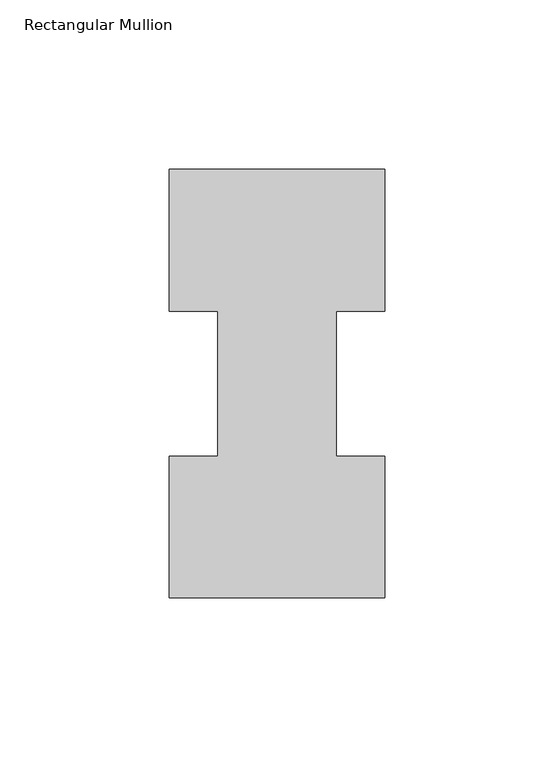
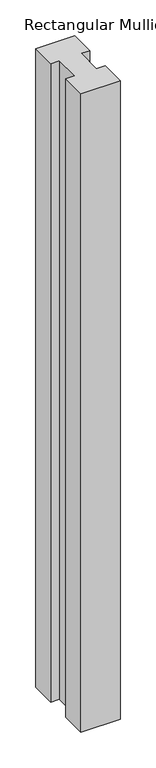
"""IFC4 building model written with IfcOpenShell, lengths in millimetres: member geometry, Rectangular Mullion."""

from ifc_helpers import new_model, si_unit, frame, origin, place, context, project, spatial, polyline, outline, extrude, source, transform, mapped, element, save


def rectangular_mullion_65051870(model_context):
    return source(origin(), model_context, "Body", "SweptSolid", [
        extrude(outline(polyline([(-63.5, 0.2967757), (-63.5, 42.1178757), (-49.2125, 42.1178757), (-49.2125, 84.93125), (-63.5, 84.93125), (-63.5, 126.7887757), (0.0, 126.7887757), (0.0, 84.93125), (-14.2748, 84.93125), (-14.2748, 42.1178757), (0.0, 42.1178757), (0.0, 0.2967757), (-63.5, 0.2967757)])), frame((0.0, 0.0, -1092.2), z_axis=(0.0, 0.0, 1.0), x_axis=(1.0, 0.0, 0.0)), (0.0, 0.0, 1.0), 1092.2),
    ])


if __name__ == "__main__":
    model = new_model("IFC4")
    model_context = context("Model", 3, world=origin())
    ifc_project = project(units=[si_unit("LENGTHUNIT", "METRE", prefix="MILLI")], contexts=[model_context])
    site = spatial("IfcSite", under=ifc_project)
    building = spatial("IfcBuilding", under=site)
    placement = place(None, origin())
    rectangular_mullion_shape = rectangular_mullion_65051870(model_context)
    element("IfcMember", 1, ObjectType="Rectangular Mullion", at=placement, inside=building, context=model_context, shape_type="MappedRepresentation", body=[
        mapped(rectangular_mullion_shape, transform((0.0, 0.0, 0.0), x_axis=(1.0, 0.0, 0.0), y_axis=(0.0, 1.0, 0.0), z_axis=(0.0, 0.0, 1.0))),
    ])
    save(model, "model.ifc")
